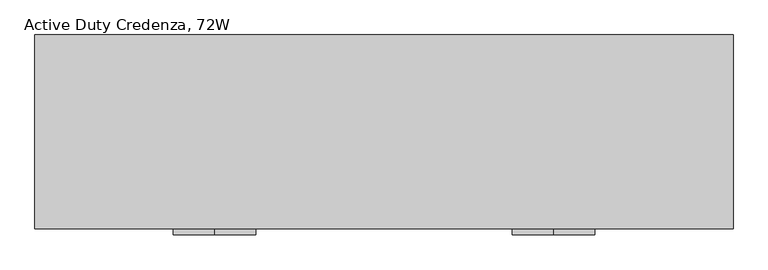
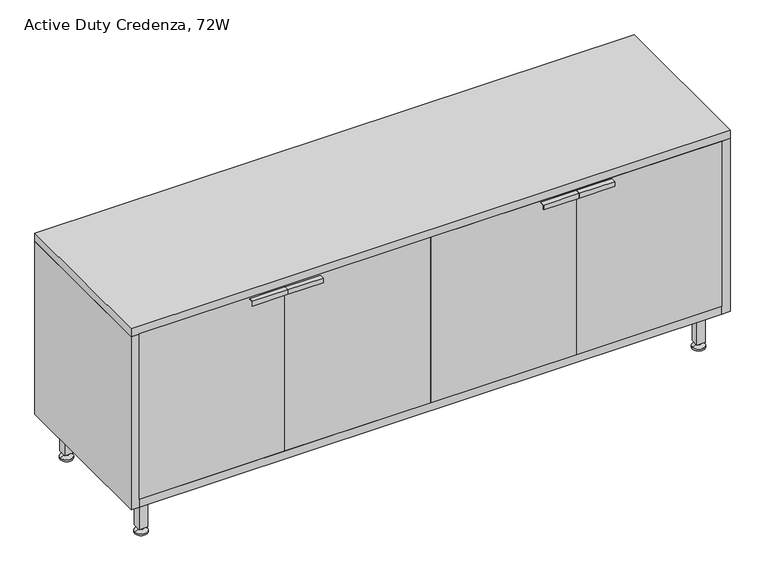
"""IFC4 building model written with IfcOpenShell, lengths in millimetres: furniture geometry, Active Duty Credenza, 72W."""

from ifc_helpers import new_model, si_unit, point, frame, frame_2d, origin, origin_with_axes, place, context, project, spatial, polyline, circle_curve, trimmed, segment, composite_curve, outline, extrude, source, transform, mapped, element, save
from ifc_brep_helpers import plane_surface, revolved_surface, advanced_brep


def active_duty_credenza_72w_4535d6f7(model_context):
    return source(origin(), model_context, "Body", "SolidModel", [
        extrude(outline(composite_curve([segment(trimmed(circle_curve(frame_2d((1765.3, -450.85)), 6.35), [point((1771.65, -450.85))], [point((1758.95, -450.85))], False, "CARTESIAN"), True, "CONTINUOUS"), segment(trimmed(circle_curve(frame_2d((1765.3, -450.85)), 6.35), [point((1758.95, -450.85))], [point((1771.65, -450.85))], False, "CARTESIAN"), True, "CONTINUOUS")], self_intersect=False)), frame((0.0, 0.0, 11.2783896), z_axis=(0.0, 0.0, 1.0), x_axis=(1.0, 0.0, 0.0)), (0.0, 0.0, 1.0), 7.0433885),
        advanced_brep(
        [(1771.65, -450.85, 11.2783896), (1758.95, -450.85, 11.2783896), (1784.35, -450.85, 5.8278184), (1746.25, -450.85, 5.8278184)],
        [
            (0, 1, circle_curve(frame((1765.3, -450.85, 11.2783896), z_axis=(0.0, 0.0, 1.0), x_axis=(1.0, 0.0, 0.0)), 6.35)),
            (1, 0, circle_curve(frame((1765.3, -450.85, 11.2783896), z_axis=(0.0, 0.0, 1.0), x_axis=(-1.0, 0.0, 0.0)), 6.35)),
            (2, 3, circle_curve(frame((1765.3, -450.85, 5.8278184), z_axis=(0.0, 0.0, -1.0), x_axis=(-1.0, 0.0, 0.0)), 19.05)),
            (3, 2, circle_curve(frame((1765.3, -450.85, 5.8278184), z_axis=(0.0, 0.0, -1.0), x_axis=(1.0, 0.0, 0.0)), 19.05)),
            (3, 1),
            (0, 2),
        ],
        [
            plane_surface(frame((1765.3, -450.85, 11.2783896), z_axis=(0.0, 0.0, 1.0), x_axis=(0.0, -1.0, 0.0))),
            plane_surface(frame((1765.3, -450.85, 5.8278184), z_axis=(0.0, 0.0, -1.0), x_axis=(0.0, -1.0, 0.0))),
            revolved_surface(polyline([(1771.6499998446645, -450.85, 11.2783896), (1784.35, -450.85, 5.8278184)]), (1765.3, -450.85, 14.0036751), (0.0, 0.0, -1.0)),
            revolved_surface(polyline([(1758.9500001553354, -450.85, 11.2783896), (1746.25, -450.85, 5.8278184)]), (1765.3, -450.85, 14.0036751), (0.0, 0.0, -1.0)),
        ],
        [
            (0, [[1, 2]]),
            (1, [[3, 4]]),
            (2, [[-4, 5, -1, 6]]),
            (3, [[-3, -6, -2, -5]]),
        ],
    ),
        extrude(outline(composite_curve([segment(trimmed(circle_curve(frame_2d((1765.3, -450.85)), 19.05), [point((1746.25, -450.85))], [point((1784.35, -450.85))], False, "CARTESIAN"), True, "CONTINUOUS"), segment(trimmed(circle_curve(frame_2d((1765.3, -450.85)), 19.05), [point((1784.35, -450.85))], [point((1746.25, -450.85))], False, "CARTESIAN"), True, "CONTINUOUS")], self_intersect=False)), origin_with_axes(), (0.0, 0.0, 1.0), 5.8278184),
        extrude(outline(polyline([(1778.0, -438.15), (1778.0, -463.55), (1752.6, -463.55), (1752.6, -438.15), (1778.0, -438.15)])), frame((0.0, 0.0, 18.321778), z_axis=(0.0, 0.0, 1.0), x_axis=(1.0, 0.0, 0.0)), (0.0, 0.0, 1.0), 108.678222),
        extrude(outline(composite_curve([segment(trimmed(circle_curve(frame_2d((54.7431534, 1761.4842937)), 0.4960938), [point((54.7431534, 1760.9882))], [point((54.7431534, 1761.9803875))], False, "CARTESIAN"), True, "CONTINUOUS"), segment(trimmed(circle_curve(frame_2d((54.7431534, 1761.4842937)), 0.4960938), [point((54.7431534, 1761.9803875))], [point((54.7431534, 1760.9882))], False, "CARTESIAN"), True, "CONTINUOUS")], self_intersect=False)), frame((0.0, -440.0892523, 0.0), z_axis=(0.0, 1.0, 0.0), x_axis=(0.0, 0.0, 1.0)), (0.0, 0.0, 1.0), 0.9921875),
        extrude(outline(composite_curve([segment(trimmed(circle_curve(frame_2d((1765.3, -57.15)), 6.35), [point((1771.65, -57.15))], [point((1758.95, -57.15))], False, "CARTESIAN"), True, "CONTINUOUS"), segment(trimmed(circle_curve(frame_2d((1765.3, -57.15)), 6.35), [point((1758.95, -57.15))], [point((1771.65, -57.15))], False, "CARTESIAN"), True, "CONTINUOUS")], self_intersect=False)), frame((0.0, 0.0, 11.2783896), z_axis=(0.0, 0.0, 1.0), x_axis=(1.0, 0.0, 0.0)), (0.0, 0.0, 1.0), 7.0433885),
        advanced_brep(
        [(1771.65, -57.15, 11.2783896), (1758.95, -57.15, 11.2783896), (1784.35, -57.15, 5.8278184), (1746.25, -57.15, 5.8278184)],
        [
            (0, 1, circle_curve(frame((1765.3, -57.15, 11.2783896), z_axis=(0.0, 0.0, 1.0), x_axis=(1.0, 0.0, 0.0)), 6.35)),
            (1, 0, circle_curve(frame((1765.3, -57.15, 11.2783896), z_axis=(0.0, 0.0, 1.0), x_axis=(-1.0, 0.0, 0.0)), 6.35)),
            (2, 3, circle_curve(frame((1765.3, -57.15, 5.8278184), z_axis=(0.0, 0.0, -1.0), x_axis=(-1.0, 0.0, 0.0)), 19.05)),
            (3, 2, circle_curve(frame((1765.3, -57.15, 5.8278184), z_axis=(0.0, 0.0, -1.0), x_axis=(1.0, 0.0, 0.0)), 19.05)),
            (3, 1),
            (0, 2),
        ],
        [
            plane_surface(frame((1765.3, -57.15, 11.2783896), z_axis=(0.0, 0.0, 1.0), x_axis=(0.0, -1.0, 0.0))),
            plane_surface(frame((1765.3, -57.15, 5.8278184), z_axis=(0.0, 0.0, -1.0), x_axis=(0.0, -1.0, 0.0))),
            revolved_surface(polyline([(1771.6499998446645, -57.15, 11.2783896), (1784.35, -57.15, 5.8278184)]), (1765.3, -57.15, 14.0036751), (0.0, 0.0, -1.0)),
            revolved_surface(polyline([(1758.9500001553354, -57.15, 11.2783896), (1746.25, -57.15, 5.8278184)]), (1765.3, -57.15, 14.0036751), (0.0, 0.0, -1.0)),
        ],
        [
            (0, [[1, 2]]),
            (1, [[3, 4]]),
            (2, [[-4, 5, -1, 6]]),
            (3, [[-3, -6, -2, -5]]),
        ],
    ),
        extrude(outline(composite_curve([segment(trimmed(circle_curve(frame_2d((1765.3, -57.15)), 19.05), [point((1746.25, -57.15))], [point((1784.35, -57.15))], False, "CARTESIAN"), True, "CONTINUOUS"), segment(trimmed(circle_curve(frame_2d((1765.3, -57.15)), 19.05), [point((1784.35, -57.15))], [point((1746.25, -57.15))], False, "CARTESIAN"), True, "CONTINUOUS")], self_intersect=False)), origin_with_axes(), (0.0, 0.0, 1.0), 5.8278184),
        extrude(outline(polyline([(1778.0, -44.45), (1778.0, -69.85), (1752.6, -69.85), (1752.6, -44.45), (1778.0, -44.45)])), frame((0.0, 0.0, 18.321778), z_axis=(0.0, 0.0, 1.0), x_axis=(1.0, 0.0, 0.0)), (0.0, 0.0, 1.0), 108.678222),
        extrude(outline(composite_curve([segment(trimmed(circle_curve(frame_2d((54.7431534, 1761.4842937)), 0.4960938), [point((54.7431534, 1760.9882))], [point((54.7431534, 1761.9803875))], False, "CARTESIAN"), True, "CONTINUOUS"), segment(trimmed(circle_curve(frame_2d((54.7431534, 1761.4842937)), 0.4960938), [point((54.7431534, 1761.9803875))], [point((54.7431534, 1760.9882))], False, "CARTESIAN"), True, "CONTINUOUS")], self_intersect=False)), frame((0.0, -46.3892523, 0.0), z_axis=(0.0, 1.0, 0.0), x_axis=(0.0, 0.0, 1.0)), (0.0, 0.0, 1.0), 0.9921875),
        extrude(outline(composite_curve([segment(trimmed(circle_curve(frame_2d((63.5, -57.15)), 6.35), [point((69.85, -57.15))], [point((57.15, -57.15))], False, "CARTESIAN"), True, "CONTINUOUS"), segment(trimmed(circle_curve(frame_2d((63.5, -57.15)), 6.35), [point((57.15, -57.15))], [point((69.85, -57.15))], False, "CARTESIAN"), True, "CONTINUOUS")], self_intersect=False)), frame((0.0, 0.0, 11.2783896), z_axis=(0.0, 0.0, 1.0), x_axis=(1.0, 0.0, 0.0)), (0.0, 0.0, 1.0), 7.0433885),
        advanced_brep(
        [(69.85, -57.15, 11.2783896), (57.15, -57.15, 11.2783896), (82.55, -57.15, 5.8278184), (44.45, -57.15, 5.8278184)],
        [
            (0, 1, circle_curve(frame((63.5, -57.15, 11.2783896), z_axis=(0.0, 0.0, 1.0), x_axis=(1.0, 0.0, 0.0)), 6.35)),
            (1, 0, circle_curve(frame((63.5, -57.15, 11.2783896), z_axis=(0.0, 0.0, 1.0), x_axis=(-1.0, 0.0, 0.0)), 6.35)),
            (2, 3, circle_curve(frame((63.5, -57.15, 5.8278184), z_axis=(0.0, 0.0, -1.0), x_axis=(-1.0, 0.0, 0.0)), 19.05)),
            (3, 2, circle_curve(frame((63.5, -57.15, 5.8278184), z_axis=(0.0, 0.0, -1.0), x_axis=(1.0, 0.0, 0.0)), 19.05)),
            (3, 1),
            (0, 2),
        ],
        [
            plane_surface(frame((63.5, -57.15, 11.2783896), z_axis=(0.0, 0.0, 1.0), x_axis=(0.0, -1.0, 0.0))),
            plane_surface(frame((63.5, -57.15, 5.8278184), z_axis=(0.0, 0.0, -1.0), x_axis=(0.0, -1.0, 0.0))),
            revolved_surface(polyline([(69.8499998446646, -57.15, 11.2783896), (82.55, -57.15, 5.8278184)]), (63.5, -57.15, 14.0036751), (0.0, 0.0, -1.0)),
            revolved_surface(polyline([(57.150000155335405, -57.15, 11.2783896), (44.45, -57.15, 5.8278184)]), (63.5, -57.15, 14.0036751), (0.0, 0.0, -1.0)),
        ],
        [
            (0, [[1, 2]]),
            (1, [[3, 4]]),
            (2, [[-4, 5, -1, 6]]),
            (3, [[-3, -6, -2, -5]]),
        ],
    ),
        extrude(outline(composite_curve([segment(trimmed(circle_curve(frame_2d((63.5, -57.15)), 19.05), [point((44.45, -57.15))], [point((82.55, -57.15))], False, "CARTESIAN"), True, "CONTINUOUS"), segment(trimmed(circle_curve(frame_2d((63.5, -57.15)), 19.05), [point((82.55, -57.15))], [point((44.45, -57.15))], False, "CARTESIAN"), True, "CONTINUOUS")], self_intersect=False)), origin_with_axes(), (0.0, 0.0, 1.0), 5.8278184),
        extrude(outline(polyline([(76.2, -44.45), (76.2, -69.85), (50.8, -69.85), (50.8, -44.45), (76.2, -44.45)])), frame((0.0, 0.0, 18.321778), z_axis=(0.0, 0.0, 1.0), x_axis=(1.0, 0.0, 0.0)), (0.0, 0.0, 1.0), 108.678222),
        extrude(outline(composite_curve([segment(trimmed(circle_curve(frame_2d((54.7431534, 59.6842937)), 0.4960937), [point((54.7431534, 59.1882))], [point((54.7431534, 60.1803875))], False, "CARTESIAN"), True, "CONTINUOUS"), segment(trimmed(circle_curve(frame_2d((54.7431534, 59.6842937)), 0.4960937), [point((54.7431534, 60.1803875))], [point((54.7431534, 59.1882))], False, "CARTESIAN"), True, "CONTINUOUS")], self_intersect=False)), frame((0.0, -46.3892523, 0.0), z_axis=(0.0, 1.0, 0.0), x_axis=(0.0, 0.0, 1.0)), (0.0, 0.0, 1.0), 0.9921875),
        extrude(outline(composite_curve([segment(trimmed(circle_curve(frame_2d((63.5, -450.85)), 6.35), [point((69.85, -450.85))], [point((57.15, -450.85))], False, "CARTESIAN"), True, "CONTINUOUS"), segment(trimmed(circle_curve(frame_2d((63.5, -450.85)), 6.35), [point((57.15, -450.85))], [point((69.85, -450.85))], False, "CARTESIAN"), True, "CONTINUOUS")], self_intersect=False)), frame((0.0, 0.0, 11.2783896), z_axis=(0.0, 0.0, 1.0), x_axis=(1.0, 0.0, 0.0)), (0.0, 0.0, 1.0), 7.0433885),
        advanced_brep(
        [(69.85, -450.85, 11.2783896), (57.15, -450.85, 11.2783896), (82.55, -450.85, 5.8278184), (44.45, -450.85, 5.8278184)],
        [
            (0, 1, circle_curve(frame((63.5, -450.85, 11.2783896), z_axis=(0.0, 0.0, 1.0), x_axis=(1.0, 0.0, 0.0)), 6.35)),
            (1, 0, circle_curve(frame((63.5, -450.85, 11.2783896), z_axis=(0.0, 0.0, 1.0), x_axis=(-1.0, 0.0, 0.0)), 6.35)),
            (2, 3, circle_curve(frame((63.5, -450.85, 5.8278184), z_axis=(0.0, 0.0, -1.0), x_axis=(-1.0, 0.0, 0.0)), 19.05)),
            (3, 2, circle_curve(frame((63.5, -450.85, 5.8278184), z_axis=(0.0, 0.0, -1.0), x_axis=(1.0, 0.0, 0.0)), 19.05)),
            (3, 1),
            (0, 2),
        ],
        [
            plane_surface(frame((63.5, -450.85, 11.2783896), z_axis=(0.0, 0.0, 1.0), x_axis=(0.0, -1.0, 0.0))),
            plane_surface(frame((63.5, -450.85, 5.8278184), z_axis=(0.0, 0.0, -1.0), x_axis=(0.0, -1.0, 0.0))),
            revolved_surface(polyline([(69.8499998446646, -450.85, 11.2783896), (82.55, -450.85, 5.8278184)]), (63.5, -450.85, 14.0036751), (0.0, 0.0, -1.0)),
            revolved_surface(polyline([(57.150000155335405, -450.85, 11.2783896), (44.45, -450.85, 5.8278184)]), (63.5, -450.85, 14.0036751), (0.0, 0.0, -1.0)),
        ],
        [
            (0, [[1, 2]]),
            (1, [[3, 4]]),
            (2, [[-4, 5, -1, 6]]),
            (3, [[-3, -6, -2, -5]]),
        ],
    ),
        extrude(outline(composite_curve([segment(trimmed(circle_curve(frame_2d((63.5, -450.85)), 19.05), [point((44.45, -450.85))], [point((82.55, -450.85))], False, "CARTESIAN"), True, "CONTINUOUS"), segment(trimmed(circle_curve(frame_2d((63.5, -450.85)), 19.05), [point((82.55, -450.85))], [point((44.45, -450.85))], False, "CARTESIAN"), True, "CONTINUOUS")], self_intersect=False)), origin_with_axes(), (0.0, 0.0, 1.0), 5.8278184),
        extrude(outline(polyline([(-523.301486, 681.8977817), (-508.0, 681.8977817), (-508.0, 679.4796369), (-521.5148703, 679.4796369), (-521.5148703, 666.75), (-523.301486, 666.75), (-523.301486, 681.8977817)])), frame((1358.9, 0.0, 0.0), z_axis=(1.0, 0.0, 0.0), x_axis=(0.0, 1.0, 0.0)), (0.0, 0.0, 1.0), 107.95),
        extrude(outline(polyline([(-523.301486, 681.8977817), (-508.0, 681.8977817), (-508.0, 679.4796369), (-521.5148703, 679.4796369), (-521.5148703, 666.75), (-523.301486, 666.75), (-523.301486, 681.8977817)])), frame((1250.95, 0.0, 0.0), z_axis=(1.0, 0.0, 0.0), x_axis=(0.0, 1.0, 0.0)), (0.0, 0.0, 1.0), 107.95),
        extrude(outline(polyline([(-523.301486, 681.8977817), (-508.0, 681.8977817), (-508.0, 679.4796369), (-521.5148703, 679.4796369), (-521.5148703, 666.75), (-523.301486, 666.75), (-523.301486, 681.8977817)])), frame((361.95, 0.0, 0.0), z_axis=(1.0, 0.0, 0.0), x_axis=(0.0, 1.0, 0.0)), (0.0, 0.0, 1.0), 107.95),
        extrude(outline(polyline([(1358.9, -482.6), (1358.9, -508.0), (914.4, -508.0), (914.4, -482.6), (1358.9, -482.6)])), frame((0.0, 0.0, 152.4), z_axis=(0.0, 0.0, 1.0), x_axis=(1.0, 0.0, 0.0)), (0.0, 0.0, 1.0), 533.4),
        extrude(outline(polyline([(914.4, -508.0), (469.9, -508.0), (469.9, -482.6), (914.4, -482.6), (914.4, -508.0)])), frame((0.0, 0.0, 152.4), z_axis=(0.0, 0.0, 1.0), x_axis=(1.0, 0.0, 0.0)), (0.0, 0.0, 1.0), 533.4),
        extrude(outline(polyline([(-523.301486, 681.8977817), (-508.0, 681.8977817), (-508.0, 679.4796369), (-521.5148703, 679.4796369), (-521.5148703, 666.75), (-523.301486, 666.75), (-523.301486, 681.8977817)])), frame((469.9, 0.0, 0.0), z_axis=(1.0, 0.0, 0.0), x_axis=(0.0, 1.0, 0.0)), (0.0, 0.0, 1.0), 107.95),
        extrude(outline(polyline([(126.0078125, 1778.0), (127.0, 1778.0), (127.0, 1720.0284101), (126.0078125, 1757.3395222), (126.0078125, 1778.0)])), frame((0.0, -478.9008583, 0.0), z_axis=(0.0, 1.0, 0.0), x_axis=(0.0, 0.0, 1.0)), (0.0, 0.0, 1.0), 0.9921875),
        extrude(outline(polyline([(126.0078125, 50.8), (126.0078125, 71.4604778), (127.0, 108.7715899), (127.0, 50.8), (126.0078125, 50.8)])), frame((0.0, -478.9008583, 0.0), z_axis=(0.0, 1.0, 0.0), x_axis=(0.0, 0.0, 1.0)), (0.0, 0.0, 1.0), 0.9921875),
        extrude(outline(polyline([(126.0078125, 1778.0), (127.0, 1778.0), (127.0, 1720.0284101), (126.0078125, 1757.3395222), (126.0078125, 1778.0)])), frame((0.0, -30.0913292, 0.0), z_axis=(0.0, 1.0, 0.0), x_axis=(0.0, 0.0, 1.0)), (0.0, 0.0, 1.0), 0.9921875),
        extrude(outline(polyline([(126.0078125, 50.8), (126.0078125, 71.4604778), (127.0, 108.7715899), (127.0, 50.8), (126.0078125, 50.8)])), frame((0.0, -30.0913292, 0.0), z_axis=(0.0, 1.0, 0.0), x_axis=(0.0, 0.0, 1.0)), (0.0, 0.0, 1.0), 0.9921875),
        extrude(outline(polyline([(1803.4, -4.9404801), (25.4, -4.9404801), (25.4, 0.0), (1803.4, 0.0), (1803.4, -4.9404801)])), frame((0.0, 0.0, 152.4), z_axis=(0.0, 0.0, 1.0), x_axis=(1.0, 0.0, 0.0)), (0.0, 0.0, 1.0), 533.4),
        extrude(outline(polyline([(1803.4, -482.6), (1803.4, -508.0), (1358.9, -508.0), (1358.9, -482.6), (1803.4, -482.6)])), frame((0.0, 0.0, 152.4), z_axis=(0.0, 0.0, 1.0), x_axis=(1.0, 0.0, 0.0)), (0.0, 0.0, 1.0), 533.4),
        extrude(outline(polyline([(469.9, -508.0), (25.4, -508.0), (25.4, -482.6), (469.9, -482.6), (469.9, -508.0)])), frame((0.0, 0.0, 152.4), z_axis=(0.0, 0.0, 1.0), x_axis=(1.0, 0.0, 0.0)), (0.0, 0.0, 1.0), 533.4),
        extrude(outline(polyline([(1828.8, -508.0), (0.0, -508.0), (0.0, 0.0), (1828.8, 0.0), (1828.8, -508.0)])), frame((0.0, 0.0, 685.8), z_axis=(0.0, 0.0, 1.0), x_axis=(1.0, 0.0, 0.0)), (0.0, 0.0, 1.0), 25.4),
        extrude(outline(polyline([(1803.4, 0.0), (1828.8, 0.0), (1828.8, -508.0), (1803.4, -508.0), (1803.4, 0.0)])), frame((0.0, 0.0, 127.0), z_axis=(0.0, 0.0, 1.0), x_axis=(1.0, 0.0, 0.0)), (0.0, 0.0, 1.0), 558.8),
        extrude(outline(polyline([(25.4, -508.0), (0.0, -508.0), (0.0, 0.0), (25.4, 0.0), (25.4, -508.0)])), frame((0.0, 0.0, 127.0), z_axis=(0.0, 0.0, 1.0), x_axis=(1.0, 0.0, 0.0)), (0.0, 0.0, 1.0), 558.8),
        extrude(outline(polyline([(1803.4, 0.0), (1803.4, -508.0), (25.4, -508.0), (25.4, 0.0), (1803.4, 0.0)])), frame((0.0, 0.0, 127.0), z_axis=(0.0, 0.0, 1.0), x_axis=(1.0, 0.0, 0.0)), (0.0, 0.0, 1.0), 25.4),
        extrude(outline(polyline([(76.2, -438.15), (76.2, -463.55), (50.8, -463.55), (50.8, -438.15), (76.2, -438.15)])), frame((0.0, 0.0, 18.321778), z_axis=(0.0, 0.0, 1.0), x_axis=(1.0, 0.0, 0.0)), (0.0, 0.0, 1.0), 108.678222),
        extrude(outline(composite_curve([segment(trimmed(circle_curve(frame_2d((54.7431534, 1769.1157063)), 0.4960938), [point((54.7431534, 1769.6118))], [point((54.7431534, 1768.6196125))], False, "CARTESIAN"), True, "CONTINUOUS"), segment(trimmed(circle_curve(frame_2d((54.7431534, 1769.1157063)), 0.4960938), [point((54.7431534, 1768.6196125))], [point((54.7431534, 1769.6118))], False, "CARTESIAN"), True, "CONTINUOUS")], self_intersect=False)), frame((0.0, -440.0892523, 0.0), z_axis=(0.0, 1.0, 0.0), x_axis=(0.0, 0.0, 1.0)), (0.0, 0.0, 1.0), 0.9921875),
        extrude(outline(composite_curve([segment(trimmed(circle_curve(frame_2d((54.7431534, 1769.1157063)), 0.4960938), [point((54.7431534, 1769.6118))], [point((54.7431534, 1768.6196125))], False, "CARTESIAN"), True, "CONTINUOUS"), segment(trimmed(circle_curve(frame_2d((54.7431534, 1769.1157063)), 0.4960938), [point((54.7431534, 1768.6196125))], [point((54.7431534, 1769.6118))], False, "CARTESIAN"), True, "CONTINUOUS")], self_intersect=False)), frame((0.0, -34.7745266, 0.0), z_axis=(0.0, 1.0, 0.0), x_axis=(0.0, 0.0, 1.0)), (0.0, 0.0, 1.0), 0.9921875),
        extrude(outline(composite_curve([segment(trimmed(circle_curve(frame_2d((54.7431534, 59.6842937)), 0.4960937), [point((54.7431534, 59.1882))], [point((54.7431534, 60.1803875))], False, "CARTESIAN"), True, "CONTINUOUS"), segment(trimmed(circle_curve(frame_2d((54.7431534, 59.6842937)), 0.4960937), [point((54.7431534, 60.1803875))], [point((54.7431534, 59.1882))], False, "CARTESIAN"), True, "CONTINUOUS")], self_intersect=False)), frame((0.0, -440.0892523, 0.0), z_axis=(0.0, 1.0, 0.0), x_axis=(0.0, 0.0, 1.0)), (0.0, 0.0, 1.0), 0.9921875),
        extrude(outline(composite_curve([segment(trimmed(circle_curve(frame_2d((54.7431534, 59.6842937)), 0.4960937), [point((54.7431534, 59.1882))], [point((54.7431534, 60.1803875))], False, "CARTESIAN"), True, "CONTINUOUS"), segment(trimmed(circle_curve(frame_2d((54.7431534, 59.6842937)), 0.4960937), [point((54.7431534, 60.1803875))], [point((54.7431534, 59.1882))], False, "CARTESIAN"), True, "CONTINUOUS")], self_intersect=False)), frame((0.0, -34.7745266, 0.0), z_axis=(0.0, 1.0, 0.0), x_axis=(0.0, 0.0, 1.0)), (0.0, 0.0, 1.0), 0.9921875),
    ])


if __name__ == "__main__":
    model = new_model("IFC4")
    model_context = context("Model", 3, world=origin())
    ifc_project = project(units=[si_unit("LENGTHUNIT", "METRE", prefix="MILLI")], contexts=[model_context])
    site = spatial("IfcSite", under=ifc_project)
    building = spatial("IfcBuilding", under=site)
    placement = place(None, origin())
    active_duty_credenza_72w_shape = active_duty_credenza_72w_4535d6f7(model_context)
    element("IfcFurniture", 1, ObjectType="Active Duty Credenza, 72W", at=placement, inside=building, context=model_context, shape_type="MappedRepresentation", body=[
        mapped(active_duty_credenza_72w_shape, transform((0.0, 0.0, 0.0), x_axis=(1.0, 0.0, 0.0), y_axis=(0.0, 1.0, 0.0), z_axis=(0.0, 0.0, 1.0))),
    ])
    save(model, "model.ifc")
